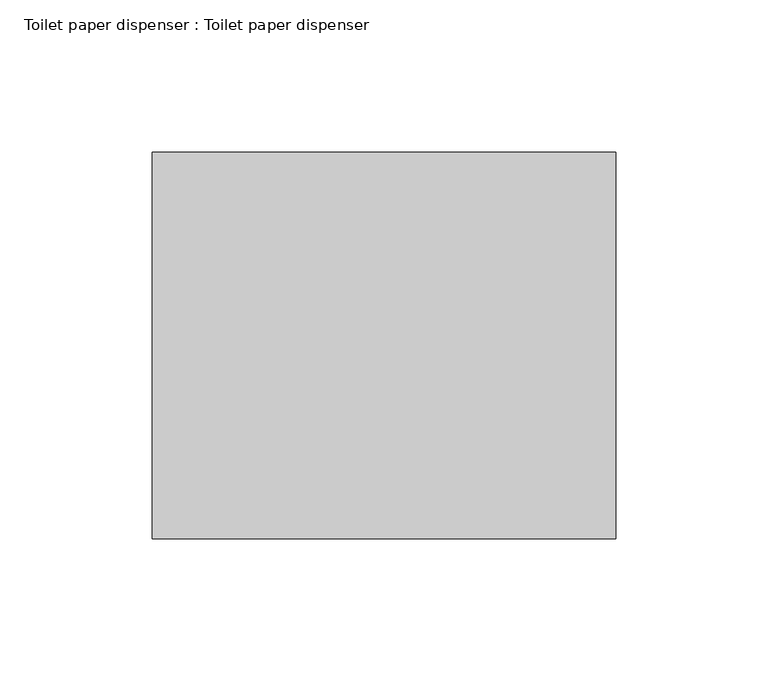
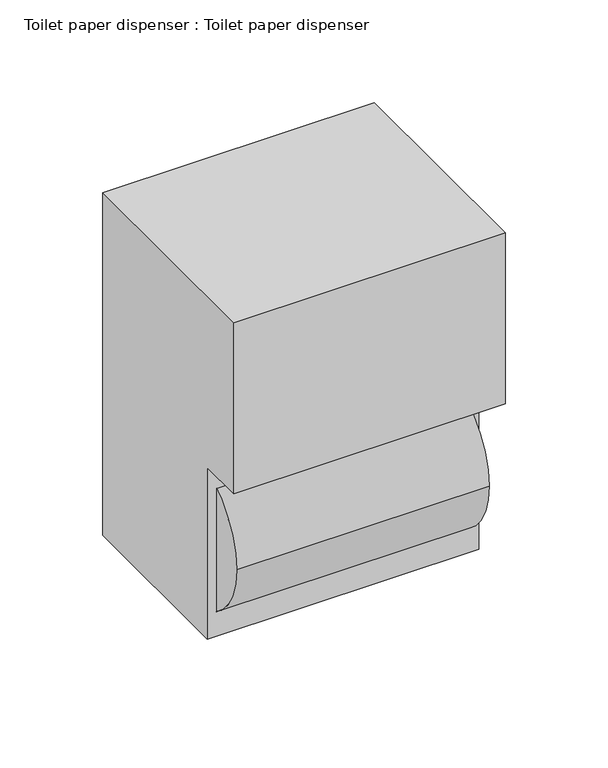
"""IFC4 building model written with IfcOpenShell, lengths in millimetres: flow terminal geometry, Toilet paper dispenser : Toilet paper dispenser."""

from ifc_helpers import new_model, si_unit, point, frame, frame_2d, origin, place, context, project, spatial, polyline, circle_curve, trimmed, segment, composite_curve, outline, extrude, source, transform, mapped, element, save


def toilet_paper_dispenser_toilet_paper_dispenser_329a1f26(model_context):
    return source(origin(), model_context, "Body", "SweptSolid", [
        extrude(outline(composite_curve([segment(trimmed(circle_curve(frame_2d((-76.2, 431.8)), 44.45), [point((-120.65, 431.8))], [point((-31.75, 431.8))], False, "CARTESIAN"), True, "CONTINUOUS"), segment(trimmed(circle_curve(frame_2d((-76.2, 431.8)), 44.45), [point((-31.75, 431.8))], [point((-120.65, 431.8))], False, "CARTESIAN"), True, "CONTINUOUS")], self_intersect=False)), frame((-70.7703031, 0.0, 0.0), z_axis=(1.0, 0.0, 0.0), x_axis=(0.0, 1.0, 0.0)), (0.0, 0.0, 1.0), 141.5948727),
        extrude(outline(polyline([(0.0, 584.2), (0.0, 381.0), (-101.6, 381.0), (-101.6, 482.6), (-127.0, 482.6), (-127.0, 584.2), (0.0, 584.2)])), frame((-76.2, 0.0, 0.0), z_axis=(1.0, 0.0, 0.0), x_axis=(0.0, 1.0, 0.0)), (0.0, 0.0, 1.0), 152.4),
    ])


if __name__ == "__main__":
    model = new_model("IFC4")
    model_context = context("Model", 3, world=origin())
    ifc_project = project(units=[si_unit("LENGTHUNIT", "METRE", prefix="MILLI")], contexts=[model_context])
    site = spatial("IfcSite", under=ifc_project)
    building = spatial("IfcBuilding", under=site)
    placement = place(None, origin())
    toilet_paper_dispenser_toilet_paper_dispenser_shape = toilet_paper_dispenser_toilet_paper_dispenser_329a1f26(model_context)
    element("IfcFlowTerminal", 1, ObjectType="Toilet paper dispenser : Toilet paper dispenser", at=placement, inside=building, context=model_context, shape_type="MappedRepresentation", body=[
        mapped(toilet_paper_dispenser_toilet_paper_dispenser_shape, transform((0.0, 0.0, 0.0), x_axis=(1.0, 0.0, 0.0), y_axis=(0.0, 1.0, 0.0), z_axis=(0.0, 0.0, 1.0))),
    ])
    save(model, "model.ifc")
